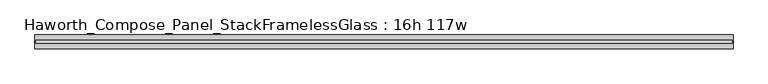
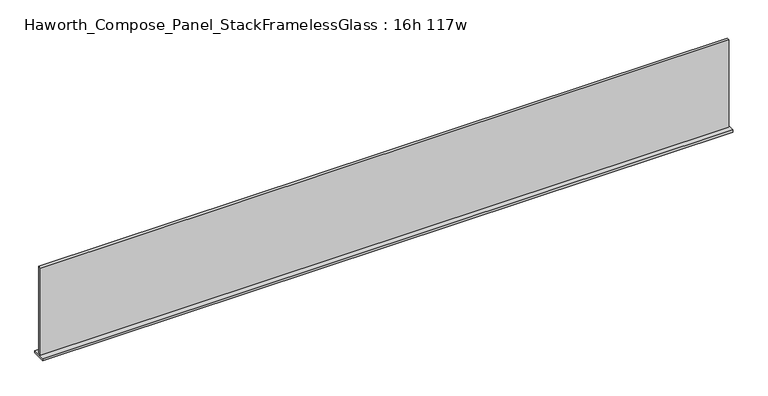
"""IFC4 building model written with IfcOpenShell, lengths in millimetres: furniture geometry, Haworth_Compose_Panel_StackFramelessGlass : 16h 117w."""

import ifcopenshell
import ifcopenshell.guid

model = None  # the IFC model being written
_history = None  # IfcOwnerHistory: only IFC2X3 demands one
_inside = {}  # id of a spatial element -> (the spatial element, [elements in it])
_under = {}  # id of a project, library or spatial element -> (it, [spatial elements below it])
_declared = {}  # id of a project -> (the project, [libraries it declares])
_typed = {}  # id of a type object -> (the type object, [elements of that type])
_made_of = {}  # id of a material, layer set ... -> (it, [elements and type objects made of it])


def new_model(schema):
    """Start an empty IFC model of exactly this schema.

    Asked for "IFC4X3", IfcOpenShell would pick the latest addendum, in which some entities
    have other attributes; the version numbers below select the first issue.
    IFC2X3 requires an IfcOwnerHistory on every rooted entity: one is made here for all.
    """
    global model, _history
    if schema == "IFC4X3":
        model = ifcopenshell.file(schema_version=(4, 3, 0, 0))
    else:
        model = ifcopenshell.file(schema=schema)
    _inside.clear()
    _under.clear()
    _declared.clear()
    _typed.clear()
    _made_of.clear()
    _history = None
    if model.schema == "IFC2X3":
        org = make("IfcOrganization", Name="unknown")
        user = make(
            "IfcPersonAndOrganization",
            ThePerson=make("IfcPerson", FamilyName="unknown"),
            TheOrganization=org,
        )
        app = make(
            "IfcApplication",
            ApplicationDeveloper=org,
            Version="unknown",
            ApplicationFullName="unknown",
            ApplicationIdentifier="unknown",
        )
        _history = make(
            "IfcOwnerHistory",
            OwningUser=user,
            OwningApplication=app,
            ChangeAction="ADDED",
            CreationDate=0,
        )
    return model


def make(cls, **values):
    """One entity of the class cls with the attributes given. An attribute that is None is left unset."""
    return model.create_entity(
        cls, **{name: value for name, value in values.items() if value is not None}
    )


def rooted(cls, **values):
    """An entity with a GlobalId (a new one), such as an element, a storey or a relation."""
    return make(cls, GlobalId=ifcopenshell.guid.new(), OwnerHistory=_history, **values)


def si_unit(unit_type, name, prefix=None):
    """IfcSIUnit, for example si_unit("LENGTHUNIT", "METRE", prefix="MILLI")."""
    return make("IfcSIUnit", UnitType=unit_type, Prefix=prefix, Name=name)


def assignment(units):
    """IfcUnitAssignment: the units of a project."""
    return None if units is None else make("IfcUnitAssignment", Units=units)


def point(xyz):
    """IfcCartesianPoint."""
    return None if xyz is None else make("IfcCartesianPoint", Coordinates=xyz)


def direction(xyz):
    """IfcDirection."""
    return None if xyz is None else make("IfcDirection", DirectionRatios=xyz)


def frame(location, z_axis=None, x_axis=None):
    """IfcAxis2Placement3D, a coordinate frame: its origin and axes. An axis left out is left unset."""
    return make(
        "IfcAxis2Placement3D",
        Location=point(location),
        Axis=direction(z_axis),
        RefDirection=direction(x_axis),
    )


def origin():
    """The frame at (0, 0, 0) with its axes left unset."""
    return frame((0.0, 0.0, 0.0))


def place(relative_to, where):
    """IfcLocalPlacement: puts the frame where relative to a parent placement (None: the world)."""
    return make(
        "IfcLocalPlacement", PlacementRelTo=relative_to, RelativePlacement=where
    )


def context(
    kind, dimensions, precision=None, world=None, true_north=None, identifier=None
):
    """IfcGeometricRepresentationContext, for example the 3D "Model" context."""
    return make(
        "IfcGeometricRepresentationContext",
        ContextIdentifier=identifier,
        ContextType=kind,
        CoordinateSpaceDimension=dimensions,
        Precision=precision,
        WorldCoordinateSystem=world,
        TrueNorth=true_north,
    )


def project(units=None, contexts=None):
    """IfcProject with its units and contexts."""
    return rooted(
        "IfcProject",
        Name="project",
        RepresentationContexts=contexts,
        UnitsInContext=assignment(units),
    )


def spatial(cls, under=None, at=None, **own):
    """A site, building, storey or space (cls), placed at a placement, below another one or the project."""
    s = rooted(cls, ObjectPlacement=at, **own)
    if under is not None:
        _under.setdefault(under.id(), (under, []))[1].append(s)
    return s


def polyline(points):
    """IfcPolyline through the points."""
    return make("IfcPolyline", Points=[point(p) for p in points])


def outline(outer, holes=None, kind="AREA"):
    """IfcArbitraryClosedProfileDef: a profile drawn as a closed curve; with holes, ...WithVoids."""
    if holes is None:
        return make("IfcArbitraryClosedProfileDef", ProfileType=kind, OuterCurve=outer)
    return make(
        "IfcArbitraryProfileDefWithVoids",
        ProfileType=kind,
        OuterCurve=outer,
        InnerCurves=holes,
    )


def extrude(swept, where, along, depth):
    """IfcExtrudedAreaSolid: the profile swept, set in the frame where, extruded along a direction by depth."""
    return make(
        "IfcExtrudedAreaSolid",
        SweptArea=swept,
        Position=where,
        ExtrudedDirection=direction(along),
        Depth=depth,
    )


def shape(context_of_items, identifier, shape_type, items):
    """IfcShapeRepresentation: the items that make up one representation, for example the "Body"."""
    return make(
        "IfcShapeRepresentation",
        ContextOfItems=context_of_items,
        RepresentationIdentifier=identifier,
        RepresentationType=shape_type,
        Items=items,
    )


def source(mapping_origin, context_of_items, identifier, shape_type, items):
    """IfcRepresentationMap: a shape defined once, which mapped items show again and again."""
    return make(
        "IfcRepresentationMap",
        MappingOrigin=mapping_origin,
        MappedRepresentation=shape(context_of_items, identifier, shape_type, items),
    )


def transform(
    local_origin,
    x_axis=None,
    y_axis=None,
    z_axis=None,
    scale=None,
    scale2=None,
    scale3=None,
    uniform=True,
):
    """IfcCartesianTransformationOperator3D, or its non-uniform kind. x_axis, y_axis, z_axis: its Axis1, 2, 3."""
    if uniform:
        return make(
            "IfcCartesianTransformationOperator3D",
            Axis1=direction(x_axis),
            Axis2=direction(y_axis),
            LocalOrigin=point(local_origin),
            Scale=scale,
            Axis3=direction(z_axis),
        )
    return make(
        "IfcCartesianTransformationOperator3DnonUniform",
        Axis1=direction(x_axis),
        Axis2=direction(y_axis),
        LocalOrigin=point(local_origin),
        Scale=scale,
        Axis3=direction(z_axis),
        Scale2=scale2,
        Scale3=scale3,
    )


def mapped(mapping_source, mapping_target):
    """IfcMappedItem: shows the shape of a source again, moved by a transform."""
    return make(
        "IfcMappedItem", MappingSource=mapping_source, MappingTarget=mapping_target
    )


def made_of(thing, what):
    """Note that an element or type object is made of a material, layer set ...; save() writes the relation."""
    if what is not None:
        _made_of.setdefault(what.id(), (what, []))[1].append(thing)
    return thing


def element(
    cls,
    number,
    at=None,
    inside=None,
    cuts=None,
    type_object=None,
    material=None,
    context=None,
    identifier="Body",
    shape_type=None,
    held_by="IfcProductDefinitionShape",
    body=None,
    shapes=None,
    **own,
):
    """One element of the class cls, such as IfcWall. Its Tag is "e" and its number.

    at: its placement. inside: the storey or other place that contains it. cuts: it is an
    opening in that element (IfcRelVoidsElement). A single representation is given by context,
    identifier, shape_type and body (its items); several are given by shapes. held_by: the class
    of the entity that holds the representations. save() writes the other relations.
    """
    e = rooted(cls, Tag="e%d" % number, ObjectPlacement=at, **own)
    if body is not None:
        shapes = [shape(context, identifier, shape_type, body)]
    if shapes is not None:
        e.Representation = make(held_by, Representations=shapes)
    if inside is not None:
        _inside.setdefault(inside.id(), (inside, []))[1].append(e)
    if cuts is not None:
        rooted(
            "IfcRelVoidsElement", RelatingBuildingElement=cuts, RelatedOpeningElement=e
        )
    if type_object is not None:
        _typed.setdefault(type_object.id(), (type_object, []))[1].append(e)
    return made_of(e, material)


def aggregate(whole, parts):
    """IfcRelAggregates: a whole, such as a stair, and the parts it consists of."""
    return rooted("IfcRelAggregates", RelatingObject=whole, RelatedObjects=parts)


def save(model, path):
    """Write the relations noted so far, then the file.

    IfcRelAggregates (storeys below a building ...), IfcRelContainedInSpatialStructure (elements
    in a storey), IfcRelDefinesByType, IfcRelAssociatesMaterial and IfcRelDeclares: one each for
    every whole, place, type object, material and project.
    """
    for whole, parts in _under.values():
        aggregate(whole, parts)
    for where, things in _inside.values():
        rooted(
            "IfcRelContainedInSpatialStructure",
            RelatedElements=things,
            RelatingStructure=where,
        )
    for kind, things in _typed.values():
        rooted("IfcRelDefinesByType", RelatedObjects=things, RelatingType=kind)
    for what, things in _made_of.values():
        rooted("IfcRelAssociatesMaterial", RelatedObjects=things, RelatingMaterial=what)
    for by, libraries in _declared.values():
        rooted("IfcRelDeclares", RelatingContext=by, RelatedDefinitions=libraries)
    model.write(path)


def haworth_compose_panel_stackframelessglass_16h_117w_8d33f73c(model_context):
    return source(origin(), model_context, "Body", "SweptSolid", [
        extrude(outline(polyline([(1485.1652902, -27.3093594), (-1480.2847098, -27.3093594), (-1480.2847098, -14.6093594), (1485.1652902, -14.6093594), (1485.1652902, -27.3093594)])), frame((0.0, 0.0, 1279.525), z_axis=(0.0, 0.0, 1.0), x_axis=(1.0, 0.0, 0.0)), (0.0, 0.0, 1.0), 396.875),
        extrude(outline(polyline([(-1483.4597098, -50.3281094), (-1483.4597098, 8.4093906), (1488.3402902, 8.4093906), (1488.3402902, -50.3281094), (-1483.4597098, -50.3281094)])), frame((0.0, 0.0, 1270.0), z_axis=(0.0, 0.0, 1.0), x_axis=(1.0, 0.0, 0.0)), (0.0, 0.0, 1.0), 9.525),
    ])


if __name__ == "__main__":
    model = new_model("IFC4")
    model_context = context("Model", 3, world=origin())
    ifc_project = project(units=[si_unit("LENGTHUNIT", "METRE", prefix="MILLI")], contexts=[model_context])
    site = spatial("IfcSite", under=ifc_project)
    building = spatial("IfcBuilding", under=site)
    placement = place(None, origin())
    haworth_compose_panel_stackframelessglass_16h_117w_shape = haworth_compose_panel_stackframelessglass_16h_117w_8d33f73c(model_context)
    element("IfcFurniture", 1, ObjectType="Haworth_Compose_Panel_StackFramelessGlass : 16h 117w", at=placement, inside=building, context=model_context, shape_type="MappedRepresentation", body=[
        mapped(haworth_compose_panel_stackframelessglass_16h_117w_shape, transform((0.0, 0.0, 0.0), x_axis=(1.0, 0.0, 0.0), y_axis=(0.0, 1.0, 0.0), z_axis=(0.0, 0.0, 1.0))),
    ])
    save(model, "model.ifc")
